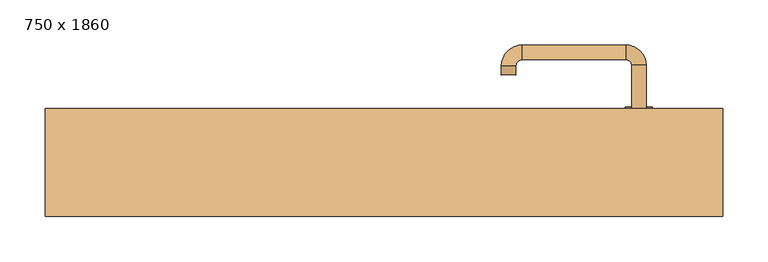
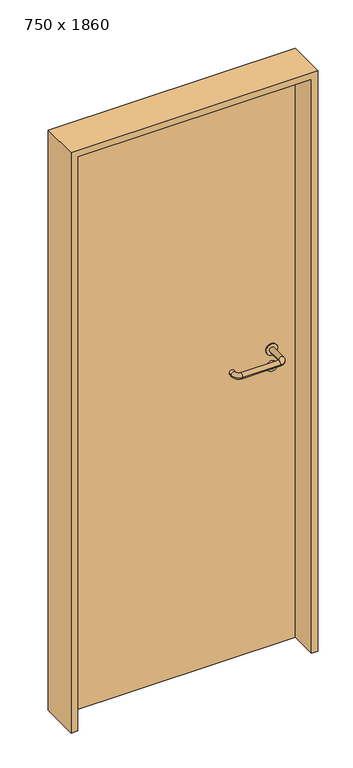
"""IFC4 building model written with IfcOpenShell, lengths in millimetres: door geometry, 750 x 1860."""

from ifc_helpers import new_model, si_unit, point, frame, frame_2d, origin, origin_with_axes, place, context, project, spatial, polyline, circle_curve, ellipse_curve, trimmed, segment, composite_curve, outline, extrude, source, transform, mapped, element, save
from ifc_brep_helpers import plane_surface, cylinder_surface, revolved_surface, advanced_brep


def door_750_x_1860_6c8904e7(model_context):
    return source(origin(), model_context, "Body", "SolidModel", [
        extrude(outline(composite_curve([segment(trimmed(circle_curve(frame_2d((897.3605726, 282.0)), 15.0), [point((897.3605726, 297.0))], [point((897.3605726, 267.0))], False, "CARTESIAN"), True, "CONTINUOUS"), segment(trimmed(circle_curve(frame_2d((897.3605726, 282.0)), 15.0), [point((897.3605726, 267.0))], [point((897.3605726, 297.0))], False, "CARTESIAN"), True, "CONTINUOUS")], self_intersect=False), holes=[composite_curve([segment(trimmed(circle_curve(frame_2d((892.5833211, 281.9398032)), 2.0), [point((892.5833211, 283.9398032))], [point((892.5833211, 279.9398032))], True, "CARTESIAN"), True, "CONTINUOUS"), segment(polyline([(892.5833211, 279.9398032), (902.5833211, 279.9398032)]), True, "CONTINUOUS"), segment(trimmed(circle_curve(frame_2d((902.5833211, 281.9398032)), 2.0), [point((902.5833211, 279.9398032))], [point((902.5833211, 283.9398032))], True, "CARTESIAN"), True, "CONTINUOUS"), segment(polyline([(902.5833211, 283.9398032), (892.5833211, 283.9398032)]), True, "CONTINUOUS")], self_intersect=False)]), frame((0.0, 118.65, 0.0), z_axis=(0.0, 1.0, 0.0), x_axis=(0.0, 0.0, 1.0)), (0.0, 0.0, 1.0), 6.35),
        extrude(outline(composite_curve([segment(trimmed(circle_curve(frame_2d((950.0, 282.0)), 17.526), [point((950.0, 299.526))], [point((950.0, 264.474))], False, "CARTESIAN"), True, "CONTINUOUS"), segment(trimmed(circle_curve(frame_2d((950.0, 282.0)), 17.526), [point((950.0, 264.474))], [point((950.0, 299.526))], False, "CARTESIAN"), True, "CONTINUOUS")], self_intersect=False)), frame((0.0, 121.825, 0.0), z_axis=(0.0, 1.0, 0.0), x_axis=(0.0, 0.0, 1.0)), (0.0, 0.0, 1.0), 3.175),
        advanced_brep(
        [(290.0, 125.0, 950.0), (274.0, 125.0, 950.0), (274.0, 72.0, 950.0), (290.0, 72.0, 950.0), (267.8578644, 65.8578644, 950.0), (267.8578644, 49.8578644, 950.0), (152.8578644, 65.8578644, 950.0), (152.8578644, 49.8578644, 950.0), (146.008622, 72.7071068, 950.0), (130.008622, 72.7071068, 950.0), (130.008622, 82.7071068, 950.0), (146.008622, 82.7071068, 950.0)],
        [
            (0, 1, circle_curve(frame((282.0, 125.0, 950.0), z_axis=(0.0, 1.0, 0.0), x_axis=(-1.0, 0.0, 0.0)), 8.0)),
            (1, 0, circle_curve(frame((282.0, 125.0, 950.0), z_axis=(0.0, 1.0, 0.0), x_axis=(-1.0, 0.0, 0.0)), 8.0)),
            (1, 2),
            (2, 3, circle_curve(frame((282.0, 72.0, 950.0), z_axis=(0.0, 1.0, 0.0), x_axis=(-1.0, 0.0, 0.0)), 8.0)),
            (3, 0),
            (3, 2, circle_curve(frame((282.0, 72.0, 950.0), z_axis=(0.0, 1.0, 0.0), x_axis=(-1.0, 0.0, 0.0)), 8.0)),
            (4, 5, circle_curve(frame((267.8578644, 57.8578644, 950.0), z_axis=(1.0, 0.0, 0.0), x_axis=(0.0, 1.0, 0.0)), 8.0)),
            (5, 3, circle_curve(frame((267.8578644, 72.0, 950.0), z_axis=(0.0, 0.0, 1.0), x_axis=(1.0, 0.0, 0.0)), 22.1421356)),
            (2, 4, circle_curve(frame((267.8578644, 72.0, 950.0), z_axis=(0.0, 0.0, -1.0), x_axis=(1.0, 0.0, 0.0)), 6.1421356)),
            (5, 4, circle_curve(frame((267.8578644, 57.8578644, 950.0), z_axis=(1.0, 0.0, 0.0), x_axis=(0.0, 1.0, 0.0)), 8.0)),
            (4, 6),
            (6, 7, circle_curve(frame((152.8578644, 57.8578644, 950.0), z_axis=(1.0, 0.0, 0.0), x_axis=(0.0, 1.0, 0.0)), 8.0)),
            (7, 5),
            (7, 6, circle_curve(frame((152.8578644, 57.8578644, 950.0), z_axis=(1.0, 0.0, 0.0), x_axis=(0.0, 1.0, 0.0)), 8.0)),
            (8, 9, circle_curve(frame((138.008622, 72.7071068, 950.0), z_axis=(0.0, -1.0, 0.0), x_axis=(1.0, 0.0, 0.0)), 8.0)),
            (9, 7, circle_curve(frame((152.8578644, 72.7071068, 950.0), z_axis=(0.0, 0.0, 1.0), x_axis=(0.0, -1.0, 0.0)), 22.8492424)),
            (6, 8, circle_curve(frame((152.8578644, 72.7071068, 950.0), z_axis=(0.0, 0.0, -1.0), x_axis=(0.0, -1.0, 0.0)), 6.8492424)),
            (9, 8, circle_curve(frame((138.008622, 72.7071068, 950.0), z_axis=(0.0, -1.0, 0.0), x_axis=(1.0, 0.0, 0.0)), 8.0)),
            (10, 11, circle_curve(frame((138.008622, 82.7071068, 950.0), z_axis=(0.0, 1.0, 0.0), x_axis=(1.0, 0.0, 0.0)), 8.0)),
            (11, 10, circle_curve(frame((138.008622, 82.7071068, 950.0), z_axis=(0.0, 1.0, 0.0), x_axis=(1.0, 0.0, 0.0)), 8.0)),
            (8, 11),
            (10, 9),
        ],
        [
            plane_surface(frame((282.0, 125.0, 0.0), z_axis=(0.0, 1.0, 0.0), x_axis=(0.0, 0.0, 1.0))),
            cylinder_surface(frame((282.0, 125.0, 950.0), z_axis=(0.0, 1.0, 0.0), x_axis=(-1.0, 0.0, 0.0)), 8.0),
            revolved_surface(trimmed(ellipse_curve(frame((282.0, 72.0, 950.0), z_axis=(0.0, -1.0, 0.0), x_axis=(-1.0, 0.0, 0.0)), 8.0, 8.0), [point((290.0, 72.0, 950.0))], [point((274.0, 72.0, 950.0))], True, "CARTESIAN"), (267.8578644, 72.0, 0.0), (0.0, 0.0, 1.0)),
            revolved_surface(trimmed(ellipse_curve(frame((282.0, 72.0, 950.0), z_axis=(0.0, -1.0, 0.0), x_axis=(-1.0, 0.0, 0.0)), 8.0, 8.0), [point((274.0, 72.0, 950.0))], [point((290.0, 72.0, 950.0))], True, "CARTESIAN"), (267.8578644, 72.0, 0.0), (0.0, 0.0, 1.0)),
            cylinder_surface(frame((267.8578644, 57.8578644, 950.0), z_axis=(1.0, 0.0, 0.0), x_axis=(0.0, 1.0, 0.0)), 8.0),
            revolved_surface(trimmed(ellipse_curve(frame((152.8578644, 57.8578644, 950.0), z_axis=(-1.0, 0.0, 0.0), x_axis=(0.0, 1.0, 0.0)), 8.0, 8.0), [point((152.8578644, 49.8578644, 950.0))], [point((152.8578644, 65.8578644, 950.0))], True, "CARTESIAN"), (152.8578644, 72.7071068, 0.0), (0.0, 0.0, 1.0)),
            revolved_surface(trimmed(ellipse_curve(frame((152.8578644, 57.8578644, 950.0), z_axis=(-1.0, 0.0, 0.0), x_axis=(0.0, 1.0, 0.0)), 8.0, 8.0), [point((152.8578644, 65.8578644, 950.0))], [point((152.8578644, 49.8578644, 950.0))], True, "CARTESIAN"), (152.8578644, 72.7071068, 0.0), (0.0, 0.0, 1.0)),
            plane_surface(frame((138.008622, 82.7071068, 0.0), z_axis=(0.0, 1.0, 0.0), x_axis=(0.0, 0.0, 1.0))),
            cylinder_surface(frame((138.008622, 72.7071068, 950.0), z_axis=(0.0, -1.0, 0.0), x_axis=(1.0, 0.0, 0.0)), 8.0),
        ],
        [
            (0, [[1, 2]]),
            (1, [[3, 4, 5, -2]]),
            (1, [[-5, 6, -3, -1]]),
            (2, [[7, 8, -4, 9]]),
            (3, [[10, -9, -6, -8]]),
            (4, [[11, 12, 13, -7]]),
            (4, [[-13, 14, -11, -10]]),
            (5, [[15, 16, -12, 17]]),
            (6, [[18, -17, -14, -16]]),
            (7, [[19, 20]]),
            (8, [[21, -19, 22, -15]]),
            (8, [[-22, -20, -21, -18]]),
        ],
    ),
        extrude(outline(composite_curve([segment(trimmed(circle_curve(frame_2d((0.0, -15.0)), 15.0), [point((0.0, -30.0))], [point((0.0, 0.0))], False, "CARTESIAN"), True, "CONTINUOUS"), segment(trimmed(circle_curve(frame_2d((0.0, -15.0)), 15.0), [point((0.0, 0.0))], [point((0.0, -30.0))], False, "CARTESIAN"), True, "CONTINUOUS")], self_intersect=False), holes=[composite_curve([segment(trimmed(circle_curve(frame_2d((4.7772515, -14.9398032)), 2.0), [point((4.7772515, -16.9398032))], [point((4.7772515, -12.9398032))], True, "CARTESIAN"), True, "CONTINUOUS"), segment(polyline([(4.7772515, -12.9398032), (-5.2227485, -12.9398032)]), True, "CONTINUOUS"), segment(trimmed(circle_curve(frame_2d((-5.2227485, -14.9398032)), 2.0), [point((-5.2227485, -12.9398032))], [point((-5.2227485, -16.9398032))], True, "CARTESIAN"), True, "CONTINUOUS"), segment(polyline([(-5.2227485, -16.9398032), (4.7772515, -16.9398032)]), True, "CONTINUOUS")], self_intersect=False)]), frame((267.0, 155.0, 897.3605726), z_axis=(1.8870575173328306e-12, 1.0, 0.0), x_axis=(0.0, 0.0, -1.0)), (0.0, 0.0, 1.0), 6.35),
        extrude(outline(composite_curve([segment(trimmed(circle_curve(frame_2d((0.0, -17.526)), 17.526), [point((0.0, -35.052))], [point((0.0, 0.0))], False, "CARTESIAN"), True, "CONTINUOUS"), segment(trimmed(circle_curve(frame_2d((0.0, -17.526)), 17.526), [point((0.0, 0.0))], [point((0.0, -35.052))], False, "CARTESIAN"), True, "CONTINUOUS")], self_intersect=False)), frame((264.474, 155.0, 950.0), z_axis=(1.8870575173328306e-12, 1.0, 0.0), x_axis=(0.0, 0.0, -1.0)), (0.0, 0.0, 1.0), 3.175),
        advanced_brep(
        [(290.0, 155.0, 950.0), (274.0, 155.0, 950.0), (290.0, 208.0, 950.0), (274.0, 208.0, 950.0), (267.8578644, 214.1421356, 950.0), (267.8578644, 230.1421356, 950.0), (152.8578644, 230.1421356, 950.0), (152.8578644, 214.1421356, 950.0), (146.008622, 207.2928932, 950.0), (130.008622, 207.2928932, 950.0), (130.008622, 197.2928932, 950.0), (146.008622, 197.2928932, 950.0)],
        [
            (0, 1, circle_curve(frame((282.0, 155.0, 950.0), z_axis=(-1.888672253512351e-12, -1.0, 0.0), x_axis=(-1.0, 1.888672253512351e-12, 0.0)), 8.0)),
            (1, 0, circle_curve(frame((282.0, 155.0, 950.0), z_axis=(-1.888672253512351e-12, -1.0, 0.0), x_axis=(-1.0, 1.888672253512351e-12, 0.0)), 8.0)),
            (0, 2),
            (2, 3, circle_curve(frame((282.0, 208.0, 950.0), z_axis=(-1.888672253512351e-12, -1.0, 0.0), x_axis=(-1.0, 1.888672253512351e-12, 0.0)), 8.0)),
            (3, 1),
            (3, 2, circle_curve(frame((282.0, 208.0, 950.0), z_axis=(-1.888672253512351e-12, -1.0, 0.0), x_axis=(-1.0, 1.888672253512351e-12, 0.0)), 8.0)),
            (4, 3, circle_curve(frame((267.8578644, 208.0, 950.0), z_axis=(0.0, 0.0, -1.0), x_axis=(1.0, -1.880717803715015e-12, 0.0)), 6.1421356)),
            (2, 5, circle_curve(frame((267.8578644, 208.0, 950.0), z_axis=(0.0, 0.0, 1.0), x_axis=(1.0, -1.880717803715015e-12, 0.0)), 22.1421356)),
            (5, 4, circle_curve(frame((267.8578644, 222.1421356, 950.0), z_axis=(1.0, -1.913702061528922e-12, 0.0), x_axis=(-1.913702061528922e-12, -1.0, 0.0)), 8.0)),
            (4, 5, circle_curve(frame((267.8578644, 222.1421356, 950.0), z_axis=(1.0, -1.913702061528922e-12, 0.0), x_axis=(-1.913702061528922e-12, -1.0, 0.0)), 8.0)),
            (5, 6),
            (6, 7, circle_curve(frame((152.8578644, 222.1421356, 950.0), z_axis=(1.0, -1.913719828541269e-12, 0.0), x_axis=(-1.913719828541269e-12, -1.0, 0.0)), 8.0)),
            (7, 4),
            (7, 6, circle_curve(frame((152.8578644, 222.1421356, 950.0), z_axis=(1.0, -1.913719828541269e-12, 0.0), x_axis=(-1.913719828541269e-12, -1.0, 0.0)), 8.0)),
            (8, 7, circle_curve(frame((152.8578644, 207.2928932, 950.0), z_axis=(0.0, 0.0, -1.0), x_axis=(1.9120873253494017e-12, 1.0, 0.0)), 6.8492424)),
            (6, 9, circle_curve(frame((152.8578644, 207.2928932, 950.0), z_axis=(0.0, 0.0, 1.0), x_axis=(1.9120873253494017e-12, 1.0, 0.0)), 22.8492424)),
            (9, 8, circle_curve(frame((138.008622, 207.2928932, 950.0), z_axis=(1.890448610351751e-12, 1.0, 0.0), x_axis=(1.0, -1.890448610351751e-12, 0.0)), 8.0)),
            (8, 9, circle_curve(frame((138.008622, 207.2928932, 950.0), z_axis=(1.8888942981172756e-12, 1.0, 0.0), x_axis=(1.0, -1.8888942981172756e-12, 0.0)), 8.0)),
            (10, 11, circle_curve(frame((138.008622, 197.2928932, 950.0), z_axis=(-1.8903642334018795e-12, -1.0, 0.0), x_axis=(1.0, -1.8903642334018795e-12, 0.0)), 8.0)),
            (11, 10, circle_curve(frame((138.008622, 197.2928932, 950.0), z_axis=(-1.8903642334018795e-12, -1.0, 0.0), x_axis=(1.0, -1.8903642334018795e-12, 0.0)), 8.0)),
            (9, 10),
            (11, 8),
        ],
        [
            plane_surface(frame((282.0, 155.0, 0.0), z_axis=(-1.8870575173328306e-12, -1.0, 0.0), x_axis=(0.0, 0.0, 1.0))),
            cylinder_surface(frame((282.0, 155.0, 950.0), z_axis=(-1.888672253512351e-12, -1.0, 0.0), x_axis=(-1.0, 1.888672253512351e-12, 0.0)), 8.0),
            revolved_surface(trimmed(ellipse_curve(frame((282.0, 208.0, 950.0), z_axis=(-1.8823325398945356e-12, -1.0, 0.0), x_axis=(-1.0, 1.8823325398945356e-12, 0.0)), 8.0, 8.0), [point((290.0, 208.0, 950.0))], [point((274.0, 208.0, 950.0))], True, "CARTESIAN"), (267.8578644, 208.0, 0.0), (0.0, 0.0, 1.0)),
            revolved_surface(trimmed(ellipse_curve(frame((282.0, 208.0, 950.0), z_axis=(-1.8823325398945356e-12, -1.0, 0.0), x_axis=(-1.0, 1.8823325398945356e-12, 0.0)), 8.0, 8.0), [point((274.0, 208.0, 950.0))], [point((290.0, 208.0, 950.0))], True, "CARTESIAN"), (267.8578644, 208.0, 0.0), (0.0, 0.0, 1.0)),
            cylinder_surface(frame((267.8578644, 222.1421356, 950.0), z_axis=(1.0, -1.913719828541269e-12, 0.0), x_axis=(-1.913719828541269e-12, -1.0, 0.0)), 8.0),
            revolved_surface(trimmed(ellipse_curve(frame((152.8578644, 222.1421356, 950.0), z_axis=(1.0, -1.913702061528922e-12, 0.0), x_axis=(-1.913702061528922e-12, -1.0, 0.0)), 8.0, 8.0), [point((152.8578644, 230.1421356, 950.0))], [point((152.8578644, 214.1421356, 950.0))], True, "CARTESIAN"), (152.8578644, 207.2928932, 0.0), (0.0, 0.0, 1.0)),
            revolved_surface(trimmed(ellipse_curve(frame((152.8578644, 222.1421356, 950.0), z_axis=(1.0, -1.913702061528922e-12, 0.0), x_axis=(-1.913702061528922e-12, -1.0, 0.0)), 8.0, 8.0), [point((152.8578644, 214.1421356, 950.0))], [point((152.8578644, 230.1421356, 950.0))], True, "CARTESIAN"), (152.8578644, 207.2928932, 0.0), (0.0, 0.0, 1.0)),
            plane_surface(frame((138.008622, 197.2928932, 0.0), z_axis=(-1.8887494972223595e-12, -1.0, 0.0), x_axis=(0.0, 0.0, 1.0))),
            cylinder_surface(frame((138.008622, 207.2928932, 950.0), z_axis=(1.8903642334018795e-12, 1.0, 0.0), x_axis=(1.0, -1.8903642334018795e-12, 0.0)), 8.0),
        ],
        [
            (0, [[1, 2]]),
            (1, [[-1, 3, 4, 5]]),
            (1, [[-2, -5, 6, -3]]),
            (2, [[7, -4, 8, 9]]),
            (3, [[-8, -6, -7, 10]]),
            (4, [[-9, 11, 12, 13]]),
            (4, [[-10, -13, 14, -11]]),
            (5, [[15, -12, 16, 17]]),
            (6, [[-16, -14, -15, 18]]),
            (7, [[19, 20]]),
            (8, [[-17, 21, -20, 22]]),
            (8, [[-18, -22, -19, -21]]),
        ],
    ),
        extrude(outline(polyline([(1840.0, 355.0), (0.0, 355.0), (0.0, 375.0), (1860.0, 375.0), (1860.0, -375.0), (0.0, -375.0), (0.0, -355.0), (1840.0, -355.0), (1840.0, 355.0)])), frame((0.0, 40.0, 0.0), z_axis=(0.0, 1.0, 0.0), x_axis=(0.0, 0.0, 1.0)), (0.0, 0.0, 1.0), 120.0),
        extrude(outline(polyline([(-355.0, 155.0), (355.0, 155.0), (355.0, 125.0), (-355.0, 125.0), (-355.0, 155.0)])), origin_with_axes(), (0.0, 0.0, 1.0), 1840.0),
    ])


if __name__ == "__main__":
    model = new_model("IFC4")
    model_context = context("Model", 3, world=origin())
    ifc_project = project(units=[si_unit("LENGTHUNIT", "METRE", prefix="MILLI")], contexts=[model_context])
    site = spatial("IfcSite", under=ifc_project)
    building = spatial("IfcBuilding", under=site)
    placement = place(None, origin())
    door_750_x_1860_shape = door_750_x_1860_6c8904e7(model_context)
    element("IfcDoor", 1, ObjectType="750 x 1860", at=placement, inside=building, context=model_context, shape_type="MappedRepresentation", body=[
        mapped(door_750_x_1860_shape, transform((0.0, 0.0, 0.0), x_axis=(1.0, 0.0, 0.0), y_axis=(0.0, 1.0, 0.0), z_axis=(0.0, 0.0, 1.0))),
    ])
    save(model, "model.ifc")
